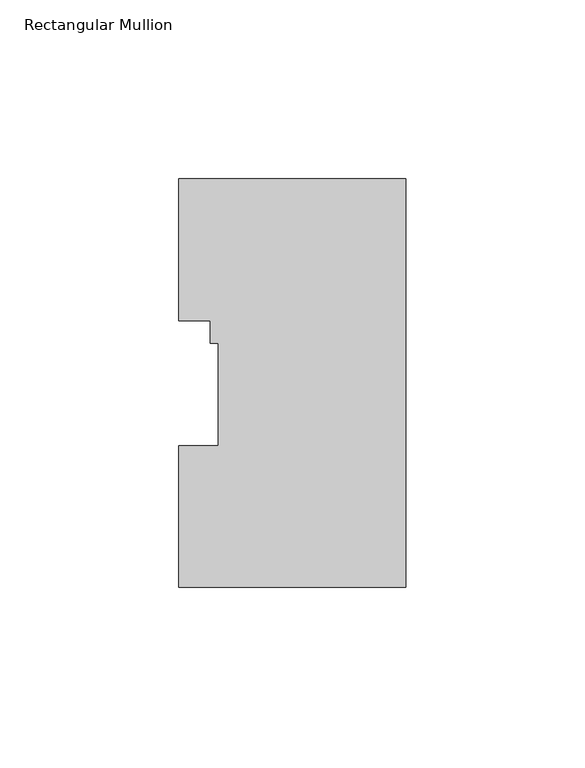
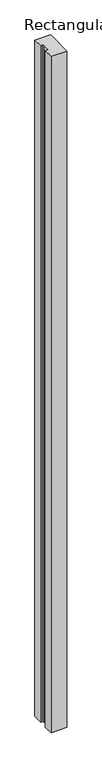
"""IFC4 building model written with IfcOpenShell, lengths in millimetres: member geometry, Rectangular Mullion."""

import ifcopenshell
import ifcopenshell.guid

model = None  # the IFC model being written
_history = None  # IfcOwnerHistory: only IFC2X3 demands one
_inside = {}  # id of a spatial element -> (the spatial element, [elements in it])
_under = {}  # id of a project, library or spatial element -> (it, [spatial elements below it])
_declared = {}  # id of a project -> (the project, [libraries it declares])
_typed = {}  # id of a type object -> (the type object, [elements of that type])
_made_of = {}  # id of a material, layer set ... -> (it, [elements and type objects made of it])


def new_model(schema):
    """Start an empty IFC model of exactly this schema.

    Asked for "IFC4X3", IfcOpenShell would pick the latest addendum, in which some entities
    have other attributes; the version numbers below select the first issue.
    IFC2X3 requires an IfcOwnerHistory on every rooted entity: one is made here for all.
    """
    global model, _history
    if schema == "IFC4X3":
        model = ifcopenshell.file(schema_version=(4, 3, 0, 0))
    else:
        model = ifcopenshell.file(schema=schema)
    _inside.clear()
    _under.clear()
    _declared.clear()
    _typed.clear()
    _made_of.clear()
    _history = None
    if model.schema == "IFC2X3":
        org = make("IfcOrganization", Name="unknown")
        user = make(
            "IfcPersonAndOrganization",
            ThePerson=make("IfcPerson", FamilyName="unknown"),
            TheOrganization=org,
        )
        app = make(
            "IfcApplication",
            ApplicationDeveloper=org,
            Version="unknown",
            ApplicationFullName="unknown",
            ApplicationIdentifier="unknown",
        )
        _history = make(
            "IfcOwnerHistory",
            OwningUser=user,
            OwningApplication=app,
            ChangeAction="ADDED",
            CreationDate=0,
        )
    return model


def make(cls, **values):
    """One entity of the class cls with the attributes given. An attribute that is None is left unset."""
    return model.create_entity(
        cls, **{name: value for name, value in values.items() if value is not None}
    )


def rooted(cls, **values):
    """An entity with a GlobalId (a new one), such as an element, a storey or a relation."""
    return make(cls, GlobalId=ifcopenshell.guid.new(), OwnerHistory=_history, **values)


def si_unit(unit_type, name, prefix=None):
    """IfcSIUnit, for example si_unit("LENGTHUNIT", "METRE", prefix="MILLI")."""
    return make("IfcSIUnit", UnitType=unit_type, Prefix=prefix, Name=name)


def assignment(units):
    """IfcUnitAssignment: the units of a project."""
    return None if units is None else make("IfcUnitAssignment", Units=units)


def point(xyz):
    """IfcCartesianPoint."""
    return None if xyz is None else make("IfcCartesianPoint", Coordinates=xyz)


def direction(xyz):
    """IfcDirection."""
    return None if xyz is None else make("IfcDirection", DirectionRatios=xyz)


def frame(location, z_axis=None, x_axis=None):
    """IfcAxis2Placement3D, a coordinate frame: its origin and axes. An axis left out is left unset."""
    return make(
        "IfcAxis2Placement3D",
        Location=point(location),
        Axis=direction(z_axis),
        RefDirection=direction(x_axis),
    )


def origin():
    """The frame at (0, 0, 0) with its axes left unset."""
    return frame((0.0, 0.0, 0.0))


def place(relative_to, where):
    """IfcLocalPlacement: puts the frame where relative to a parent placement (None: the world)."""
    return make(
        "IfcLocalPlacement", PlacementRelTo=relative_to, RelativePlacement=where
    )


def context(
    kind, dimensions, precision=None, world=None, true_north=None, identifier=None
):
    """IfcGeometricRepresentationContext, for example the 3D "Model" context."""
    return make(
        "IfcGeometricRepresentationContext",
        ContextIdentifier=identifier,
        ContextType=kind,
        CoordinateSpaceDimension=dimensions,
        Precision=precision,
        WorldCoordinateSystem=world,
        TrueNorth=true_north,
    )


def project(units=None, contexts=None):
    """IfcProject with its units and contexts."""
    return rooted(
        "IfcProject",
        Name="project",
        RepresentationContexts=contexts,
        UnitsInContext=assignment(units),
    )


def spatial(cls, under=None, at=None, **own):
    """A site, building, storey or space (cls), placed at a placement, below another one or the project."""
    s = rooted(cls, ObjectPlacement=at, **own)
    if under is not None:
        _under.setdefault(under.id(), (under, []))[1].append(s)
    return s


def polyline(points):
    """IfcPolyline through the points."""
    return make("IfcPolyline", Points=[point(p) for p in points])


def outline(outer, holes=None, kind="AREA"):
    """IfcArbitraryClosedProfileDef: a profile drawn as a closed curve; with holes, ...WithVoids."""
    if holes is None:
        return make("IfcArbitraryClosedProfileDef", ProfileType=kind, OuterCurve=outer)
    return make(
        "IfcArbitraryProfileDefWithVoids",
        ProfileType=kind,
        OuterCurve=outer,
        InnerCurves=holes,
    )


def extrude(swept, where, along, depth):
    """IfcExtrudedAreaSolid: the profile swept, set in the frame where, extruded along a direction by depth."""
    return make(
        "IfcExtrudedAreaSolid",
        SweptArea=swept,
        Position=where,
        ExtrudedDirection=direction(along),
        Depth=depth,
    )


def shape(context_of_items, identifier, shape_type, items):
    """IfcShapeRepresentation: the items that make up one representation, for example the "Body"."""
    return make(
        "IfcShapeRepresentation",
        ContextOfItems=context_of_items,
        RepresentationIdentifier=identifier,
        RepresentationType=shape_type,
        Items=items,
    )


def source(mapping_origin, context_of_items, identifier, shape_type, items):
    """IfcRepresentationMap: a shape defined once, which mapped items show again and again."""
    return make(
        "IfcRepresentationMap",
        MappingOrigin=mapping_origin,
        MappedRepresentation=shape(context_of_items, identifier, shape_type, items),
    )


def transform(
    local_origin,
    x_axis=None,
    y_axis=None,
    z_axis=None,
    scale=None,
    scale2=None,
    scale3=None,
    uniform=True,
):
    """IfcCartesianTransformationOperator3D, or its non-uniform kind. x_axis, y_axis, z_axis: its Axis1, 2, 3."""
    if uniform:
        return make(
            "IfcCartesianTransformationOperator3D",
            Axis1=direction(x_axis),
            Axis2=direction(y_axis),
            LocalOrigin=point(local_origin),
            Scale=scale,
            Axis3=direction(z_axis),
        )
    return make(
        "IfcCartesianTransformationOperator3DnonUniform",
        Axis1=direction(x_axis),
        Axis2=direction(y_axis),
        LocalOrigin=point(local_origin),
        Scale=scale,
        Axis3=direction(z_axis),
        Scale2=scale2,
        Scale3=scale3,
    )


def mapped(mapping_source, mapping_target):
    """IfcMappedItem: shows the shape of a source again, moved by a transform."""
    return make(
        "IfcMappedItem", MappingSource=mapping_source, MappingTarget=mapping_target
    )


def made_of(thing, what):
    """Note that an element or type object is made of a material, layer set ...; save() writes the relation."""
    if what is not None:
        _made_of.setdefault(what.id(), (what, []))[1].append(thing)
    return thing


def element(
    cls,
    number,
    at=None,
    inside=None,
    cuts=None,
    type_object=None,
    material=None,
    context=None,
    identifier="Body",
    shape_type=None,
    held_by="IfcProductDefinitionShape",
    body=None,
    shapes=None,
    **own,
):
    """One element of the class cls, such as IfcWall. Its Tag is "e" and its number.

    at: its placement. inside: the storey or other place that contains it. cuts: it is an
    opening in that element (IfcRelVoidsElement). A single representation is given by context,
    identifier, shape_type and body (its items); several are given by shapes. held_by: the class
    of the entity that holds the representations. save() writes the other relations.
    """
    e = rooted(cls, Tag="e%d" % number, ObjectPlacement=at, **own)
    if body is not None:
        shapes = [shape(context, identifier, shape_type, body)]
    if shapes is not None:
        e.Representation = make(held_by, Representations=shapes)
    if inside is not None:
        _inside.setdefault(inside.id(), (inside, []))[1].append(e)
    if cuts is not None:
        rooted(
            "IfcRelVoidsElement", RelatingBuildingElement=cuts, RelatedOpeningElement=e
        )
    if type_object is not None:
        _typed.setdefault(type_object.id(), (type_object, []))[1].append(e)
    return made_of(e, material)


def aggregate(whole, parts):
    """IfcRelAggregates: a whole, such as a stair, and the parts it consists of."""
    return rooted("IfcRelAggregates", RelatingObject=whole, RelatedObjects=parts)


def save(model, path):
    """Write the relations noted so far, then the file.

    IfcRelAggregates (storeys below a building ...), IfcRelContainedInSpatialStructure (elements
    in a storey), IfcRelDefinesByType, IfcRelAssociatesMaterial and IfcRelDeclares: one each for
    every whole, place, type object, material and project.
    """
    for whole, parts in _under.values():
        aggregate(whole, parts)
    for where, things in _inside.values():
        rooted(
            "IfcRelContainedInSpatialStructure",
            RelatedElements=things,
            RelatingStructure=where,
        )
    for kind, things in _typed.values():
        rooted("IfcRelDefinesByType", RelatedObjects=things, RelatingType=kind)
    for what, things in _made_of.values():
        rooted("IfcRelAssociatesMaterial", RelatedObjects=things, RelatingMaterial=what)
    for by, libraries in _declared.values():
        rooted("IfcRelDeclares", RelatingContext=by, RelatedDefinitions=libraries)
    model.write(path)


def rectangular_mullion_76adcccf(model_context):
    return source(origin(), model_context, "Body", "SweptSolid", [
        extrude(outline(polyline([(-63.5, 114.271425), (0.0, 114.271425), (0.0, -0.028575), (-63.5, -0.028575), (-63.5, 39.646225), (-52.3875, 39.646225), (-52.3875, 68.246625), (-54.7624, 68.246625), (-54.7624, 74.596625), (-63.5, 74.596625), (-63.5, 114.271425)])), frame((0.0, 0.0, -2914.65), z_axis=(0.0, 0.0, 1.0), x_axis=(1.0, 0.0, 0.0)), (0.0, 0.0, 1.0), 2914.65),
    ])


if __name__ == "__main__":
    model = new_model("IFC4")
    model_context = context("Model", 3, world=origin())
    ifc_project = project(units=[si_unit("LENGTHUNIT", "METRE", prefix="MILLI")], contexts=[model_context])
    site = spatial("IfcSite", under=ifc_project)
    building = spatial("IfcBuilding", under=site)
    placement = place(None, origin())
    rectangular_mullion_shape = rectangular_mullion_76adcccf(model_context)
    element("IfcMember", 1, ObjectType="Rectangular Mullion", at=placement, inside=building, context=model_context, shape_type="MappedRepresentation", body=[
        mapped(rectangular_mullion_shape, transform((0.0, 0.0, 0.0), x_axis=(1.0, 0.0, 0.0), y_axis=(0.0, 1.0, 0.0), z_axis=(0.0, 0.0, 1.0))),
    ])
    save(model, "model.ifc")
